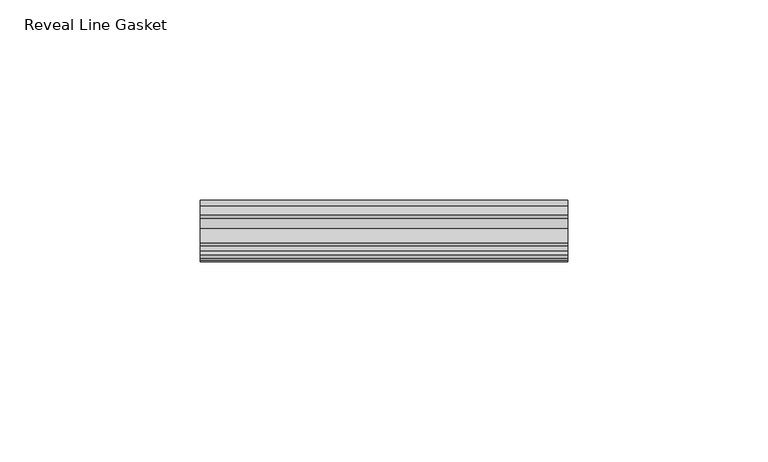
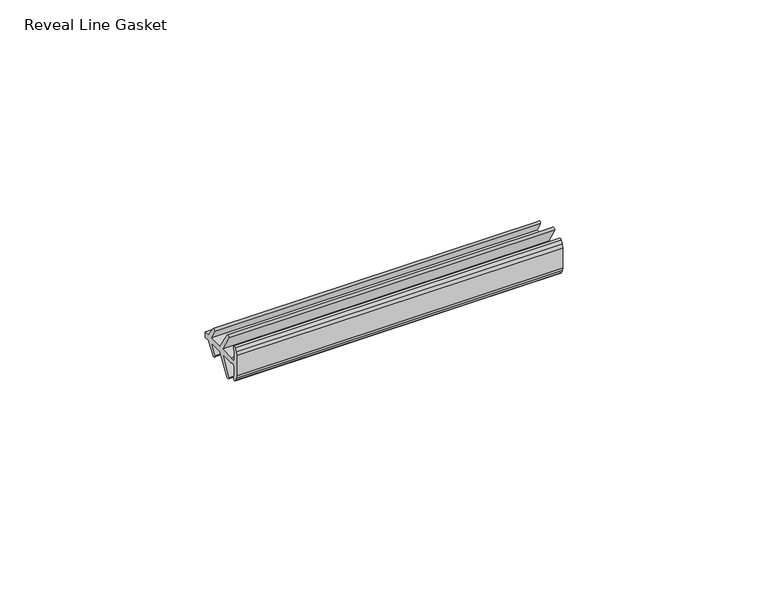
"""IFC4 building model written with IfcOpenShell, lengths in millimetres: furniture geometry, Reveal Line Gasket."""

from ifc_helpers import new_model, si_unit, point, frame, frame_2d, origin, place, context, project, spatial, polyline, circle_curve, trimmed, segment, composite_curve, outline, extrude, source, transform, mapped, element, save


def reveal_line_gasket_759faebd(model_context):
    return source(origin(), model_context, "Body", "SweptSolid", [
        extrude(outline(composite_curve([segment(polyline([(-7.6326998, 1603.2), (-7.4091917, 1604.1554927), (-6.8813059, 1605.0884684)]), True, "CONTINUOUS"), segment(trimmed(circle_curve(frame_2d((-6.5243141, 1604.8864793)), 0.4101739), [point((-6.8813059, 1605.0884684))], [point((-6.1246704, 1604.7941347))], False, "CARTESIAN"), True, "CONTINUOUS"), segment(polyline([(-6.1246704, 1604.7941347), (-6.3626997, 1603.0979086), (-6.3626997, 1601.0654527)]), True, "CONTINUOUS"), segment(trimmed(circle_curve(frame_2d((-5.6959605, 1601.4819258)), 0.786124), [point((-6.3626997, 1601.0654527))], [point((-5.0926996, 1600.977875))], True, "CARTESIAN"), True, "CONTINUOUS"), segment(polyline([(-5.0926996, 1600.977875), (-0.7492996, 1600.977875), (-3.7293824, 1606.1395295)]), True, "CONTINUOUS"), segment(trimmed(circle_curve(frame_2d((-3.3132479, 1606.2049761)), 0.4212495), [point((-3.7293824, 1606.1395295))], [point((-3.0485022, 1606.5326358))], False, "CARTESIAN"), True, "CONTINUOUS"), segment(polyline([(-3.0485022, 1606.5326358), (0.5742594, 1600.977875), (4.8262978, 1600.977875), (3.1660374, 1603.8535297)]), True, "CONTINUOUS"), segment(trimmed(circle_curve(frame_2d((3.5978728, 1603.9118855)), 0.4357605), [point((3.1660374, 1603.8535297))], [point((3.864328, 1604.2566881))], False, "CARTESIAN"), True, "CONTINUOUS"), segment(polyline([(3.864328, 1604.2566881), (6.1944059, 1600.977875), (7.6326998, 1600.977875), (7.6326998, 1599.422125), (6.1944059, 1599.422125), (3.864328, 1596.1433119)]), True, "CONTINUOUS"), segment(trimmed(circle_curve(frame_2d((3.5978728, 1596.4881145)), 0.4357605), [point((3.864328, 1596.1433119))], [point((3.1660374, 1596.5464703))], False, "CARTESIAN"), True, "CONTINUOUS"), segment(polyline([(3.1660374, 1596.5464703), (4.8262978, 1599.422125), (0.5742594, 1599.422125), (-3.0485022, 1593.8673642)]), True, "CONTINUOUS"), segment(trimmed(circle_curve(frame_2d((-3.3132479, 1594.1950239)), 0.4212495), [point((-3.0485022, 1593.8673642))], [point((-3.7293824, 1594.2604705))], False, "CARTESIAN"), True, "CONTINUOUS"), segment(polyline([(-3.7293824, 1594.2604705), (-0.7492996, 1599.422125), (-5.0926996, 1599.422125)]), True, "CONTINUOUS"), segment(trimmed(circle_curve(frame_2d((-5.6959605, 1598.9180742)), 0.786124), [point((-5.0926996, 1599.422125))], [point((-6.3626997, 1599.3345473))], True, "CARTESIAN"), True, "CONTINUOUS"), segment(polyline([(-6.3626997, 1599.3345473), (-6.3626997, 1597.3020914), (-6.1246704, 1595.6058653)]), True, "CONTINUOUS"), segment(trimmed(circle_curve(frame_2d((-6.5243141, 1595.5135207)), 0.4101739), [point((-6.1246704, 1595.6058653))], [point((-6.8813059, 1595.3115316))], False, "CARTESIAN"), True, "CONTINUOUS"), segment(polyline([(-6.8813059, 1595.3115316), (-7.4091917, 1596.2445073), (-7.6326998, 1597.2), (-7.6326998, 1603.2)]), True, "CONTINUOUS")], self_intersect=False)), frame((-45.815909, 0.0, 0.0), z_axis=(1.0, 0.0, 0.0), x_axis=(0.0, 1.0, 0.0)), (0.0, 0.0, 1.0), 91.6318181),
    ])


if __name__ == "__main__":
    model = new_model("IFC4")
    model_context = context("Model", 3, world=origin())
    ifc_project = project(units=[si_unit("LENGTHUNIT", "METRE", prefix="MILLI")], contexts=[model_context])
    site = spatial("IfcSite", under=ifc_project)
    building = spatial("IfcBuilding", under=site)
    placement = place(None, origin())
    reveal_line_gasket_shape = reveal_line_gasket_759faebd(model_context)
    element("IfcFurniture", 1, ObjectType="Reveal Line Gasket", at=placement, inside=building, context=model_context, shape_type="MappedRepresentation", body=[
        mapped(reveal_line_gasket_shape, transform((0.0, 0.0, 0.0), x_axis=(1.0, 0.0, 0.0), y_axis=(0.0, 1.0, 0.0), z_axis=(0.0, 0.0, 1.0))),
    ])
    save(model, "model.ifc")
